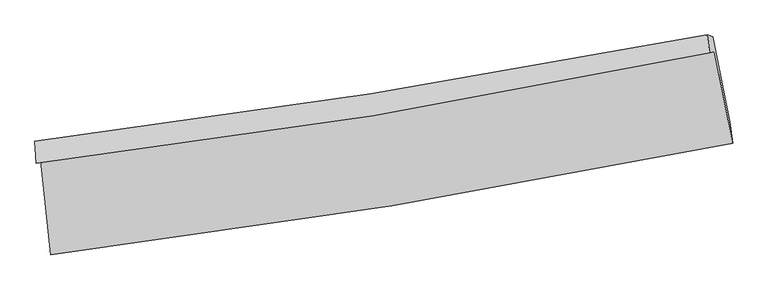
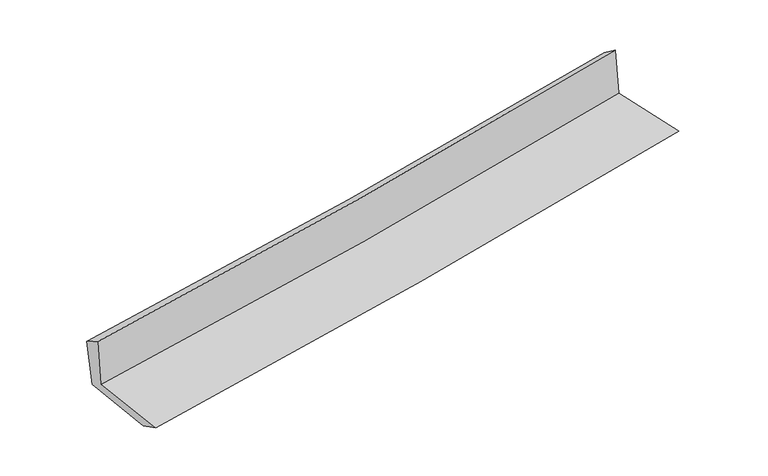
"""IFC4 building model written with IfcOpenShell, lengths in millimetres: proxy geometry."""

from ifc_helpers import new_model, si_unit, frame, origin, place, context, project, spatial, source, transform, mapped, element, save
from ifc_brep_helpers import plane_surface, spline_curve, spline_surface, advanced_brep


def generic_models_7f2411e5(model_context):
    return source(origin(), model_context, "Body", "AdvancedBrep", [
        advanced_brep(
        [(-2453.3701668, -1870.8768422, 1646.9223629), (-2381.0552182, -2547.911248, 1640.8104946), (2537.3332119, -1743.6201809, 2103.1560464), (2406.8012803, -1083.4256439, 2090.9305725), (-2488.8772437, -1888.3374053, 2058.2687438), (2371.0113689, -1093.8919298, 2500.1991347), (-2496.8231555, -1730.2327005, 1961.2415208), (2354.1467562, -963.7181509, 2401.9145254), (-2460.1617304, -1744.3446385, 1574.0320135), (2393.332031, -978.2781486, 2009.8872703), (-2391.4390773, -2383.2326159, 1562.9552723), (2516.4290879, -1588.3623533, 1994.4657604)],
        [
            (0, 1),
            (1, 2, spline_curve(3, [(-2381.0552182, -2547.911248, 1640.8104946), (-1559.137572198, -2446.768973774, 1726.651704333), (-739.302926122, -2329.375827363, 1808.018464865), (900.180208152, -2061.437369538, 1962.177307348), (1719.808372441, -1910.733493821, 2034.925730802), (2537.3332119, -1743.6201809, 2103.1560464)], [4, 2, 4], [0.0, 8.142242400993085, 16.324111564105557])),
            (2, 3),
            (3, 0, spline_curve(3, [(2406.8012803, -1083.4256439, 2090.9305725), (1600.155149536, -1249.747136796, 2021.523751026), (790.828132973, -1398.64592019, 1949.72404234), (-829.254921615, -1660.961296734, 1801.698183263), (-1639.985053989, -1774.546246205, 1725.495155415), (-2453.3701668, -1870.8768422, 1646.9223629)], [4, 2, 4], [0.0, 8.181869163112472, 16.324111564105557])),
            (4, 0),
            (3, 5),
            (5, 4, spline_curve(3, [(2371.0113689, -1093.8919298, 2500.1991347), (1564.516593338, -1263.81440221, 2435.119621669), (755.288754852, -1415.094993889, 2365.652308345), (-864.70052573, -1679.730015499, 2218.299778552), (-1675.435558006, -1793.26458206, 2140.45696164), (-2488.8772437, -1888.3374053, 2058.2687438)], [4, 2, 4], [0.0, 8.132100483692218, 16.224815246961153])),
            (6, 4),
            (5, 7),
            (7, 6, spline_curve(3, [(2354.1467562, -963.7181509, 2401.9145254), (1548.051363553, -1119.710423155, 2330.612621606), (739.769569692, -1261.703931461, 2258.146956632), (-877.241528304, -1517.073511177, 2111.244709605), (-1685.949704936, -1630.584852396, 2036.819373065), (-2496.8231555, -1730.2327005, 1961.2415208)], [4, 2, 4], [0.0, 8.121233489681574, 16.203133890408058])),
            (8, 6),
            (7, 9),
            (9, 8, spline_curve(3, [(2393.332031, -978.2781486, 2009.8872703), (1586.315955004, -1134.209699748, 1944.511254543), (777.363593627, -1276.135401465, 1875.404771529), (-840.486370294, -1531.355559094, 1730.083638554), (-1649.365262896, -1644.785354068, 1653.905035658), (-2460.1617304, -1744.3446385, 1574.0320135)], [4, 2, 4], [0.0, 8.11140769256976, 16.183529884885374])),
            (10, 8),
            (9, 11),
            (11, 10, spline_curve(3, [(2516.4290879, -1588.3623533, 1994.4657604), (1701.497959712, -1756.189610686, 1926.20826403), (884.044453144, -1906.460709018, 1856.028362179), (-751.935975728, -2171.247817579, 1712.172956454), (-1570.438524422, -2285.93347342, 1638.516028908), (-2391.4390773, -2383.2326159, 1562.9552723)], [4, 2, 4], [0.0, 8.160802622303402, 16.28208051281627])),
            (1, 10),
            (11, 2),
        ],
        [
            spline_surface(3, 3, [[(-2453.3701668, -1870.8768422, 1646.9223629), (-1639.985054113, -1774.546246337, 1725.495155422), (-829.25492156, -1660.9612968, 1801.698183278), (790.828132918, -1398.645920124, 1949.724042325), (1600.155149435, -1249.747136855, 2021.52375103), (2406.8012803, -1083.4256439, 2090.9305725)], [(-2429.265183956, -2096.554977464, 1644.885073459), (-1613.035893457, -1998.620488806, 1725.880671747), (-799.270923133, -1883.7661403, 1803.804943793), (827.27882469, -1619.576403331, 1953.875130669), (1640.03955711, -1470.075922499, 2025.991077661), (2450.311924163, -1303.490489565, 2095.005730487)], [(-2405.160201044, -2322.233112736, 1642.847784041), (-1586.086732731, -2222.694731283, 1726.266188096), (-769.286924667, -2106.570983728, 1805.911704324), (863.7295165, -1840.506886466, 1958.02621903), (1679.923964796, -1690.404708147, 2030.458404231), (2493.822568037, -1523.555335235, 2099.080888413)], [(-2381.0552182, -2547.911248, 1640.8104946), (-1559.137572075, -2446.768973752, 1726.651704421), (-739.302926241, -2329.375827228, 1808.018464839), (900.180208272, -2061.437369673, 1962.177307375), (1719.80837247, -1910.73349379, 2034.925730862), (2537.3332119, -1743.6201809, 2103.1560464)]], [4, 4], [4, 2, 4], [0.0, 2.2082697047290845], [0.0, 8.142242400993085, 16.324111564105557]),
            spline_surface(3, 3, [[(-2488.8772437, -1888.3374053, 2058.2687438), (-1675.435558082, -1793.264582138, 2140.456961765), (-864.700525705, -1679.730015476, 2218.299778586), (755.288754828, -1415.094993912, 2365.652308311), (1564.516593292, -1263.814402098, 2435.119621787), (2371.0113689, -1093.8919298, 2500.1991347)], [(-2477.041551383, -1882.517217587, 1921.15328351), (-1663.618723409, -1787.025136858, 2002.136359661), (-852.885324327, -1673.473775908, 2079.432580141), (767.135214187, -1409.611969307, 2227.009552974), (1576.396111992, -1259.125313701, 2297.254331528), (2382.941339353, -1090.403167851, 2363.776280627)], [(-2465.205859117, -1876.697029913, 1784.03782319), (-1651.801888787, -1780.785691617, 1863.815757526), (-841.070122937, -1667.217536368, 1940.565381723), (778.981673559, -1404.128944729, 2088.366797662), (1588.275630735, -1254.436225252, 2159.389041289), (2394.871309847, -1086.914405849, 2227.353426573)], [(-2453.3701668, -1870.8768422, 1646.9223629), (-1639.985054113, -1774.546246337, 1725.495155422), (-829.25492156, -1660.9612968, 1801.698183278), (790.828132918, -1398.645920124, 1949.724042325), (1600.155149435, -1249.747136855, 2021.52375103), (2406.8012803, -1083.4256439, 2090.9305725)]], [4, 4], [4, 2, 4], [0.0, 1.3718647140950857], [0.0, 8.092714763268935, 16.224815246961153]),
            spline_surface(3, 3, [[(-2496.8231555, -1730.2327005, 1961.2415208), (-1685.949704877, -1630.584852518, 2036.819373067), (-877.241528216, -1517.073511052, 2111.244709619), (739.769569603, -1261.703931586, 2258.146956617), (1548.051363502, -1119.710423182, 2330.612621574), (2354.1467562, -963.7181509, 2401.9145254)], [(-2494.174518253, -1782.934268766, 1993.583928473), (-1682.444989298, -1684.811429057, 2071.365235973), (-873.061194041, -1571.292345874, 2146.929732614), (744.94263135, -1312.834285709, 2293.982073855), (1553.539773421, -1167.745082807, 2365.448288308), (2359.768293756, -1007.109410519, 2434.67606183)], [(-2491.525880947, -1835.635837034, 2025.926336127), (-1678.94027366, -1739.038005599, 2105.911098859), (-868.88085988, -1625.511180654, 2182.614755591), (750.115693081, -1363.964639789, 2329.817191074), (1559.028183373, -1215.779742473, 2400.283955053), (2365.389831344, -1050.500670181, 2467.43759827)], [(-2488.8772437, -1888.3374053, 2058.2687438), (-1675.435558082, -1793.264582138, 2140.456961765), (-864.700525705, -1679.730015476, 2218.299778586), (755.288754828, -1415.094993912, 2365.652308311), (1564.516593292, -1263.814402098, 2435.119621787), (2371.0113689, -1093.8919298, 2500.1991347)]], [4, 4], [4, 2, 4], [0.0, 0.6282675141832503], [0.0, 8.081900400726484, 16.203133890408058]),
            spline_surface(3, 3, [[(-2460.1617304, -1744.3446385, 1574.0320135), (-1649.365262968, -1644.785354126, 1653.905035777), (-840.486370408, -1531.355559157, 1730.083638439), (777.363593743, -1276.135401402, 1875.404771645), (1586.315955026, -1134.209699714, 1944.511254563), (2393.332031, -978.2781486, 2009.8872703)], [(-2472.382205436, -1739.640659187, 1703.101849267), (-1661.56007694, -1640.05185361, 1781.543148207), (-852.738089681, -1526.594876458, 1857.137328838), (764.83225236, -1271.324911466, 2002.985499974), (1573.561091207, -1129.376607546, 2073.211710235), (2380.270272756, -973.424816043, 2140.563022002)], [(-2484.602680464, -1734.936679813, 1832.171685033), (-1673.754890904, -1635.318353033, 1909.181260637), (-864.989808943, -1521.834193752, 1984.191019221), (752.300910986, -1266.514421523, 2130.566228288), (1560.806227321, -1124.54351535, 2201.912165901), (2367.208514444, -968.571483457, 2271.238773698)], [(-2496.8231555, -1730.2327005, 1961.2415208), (-1685.949704877, -1630.584852518, 2036.819373067), (-877.241528216, -1517.073511052, 2111.244709619), (739.769569603, -1261.703931586, 2258.146956617), (1548.051363502, -1119.710423182, 2330.612621574), (2354.1467562, -963.7181509, 2401.9145254)]], [4, 4], [4, 2, 4], [0.0, 1.2599375304805767], [0.0, 8.072122192315614, 16.183529884885374]),
            spline_surface(3, 3, [[(-2391.4390773, -2383.2326159, 1562.9552723), (-1570.438524303, -2285.933473391, 1638.516028965), (-751.935975732, -2171.247817597, 1712.172956508), (884.044453149, -1906.460709, 1856.028362125), (1701.497959622, -1756.189610575, 1926.208263948), (2516.4290879, -1588.3623533, 1994.4657604)], [(-2414.346628306, -2170.269956752, 1566.647519341), (-1596.747437164, -2072.217433621, 1643.645697877), (-781.452773941, -1957.950398107, 1718.143183816), (848.484166696, -1696.352273124, 1862.487165296), (1663.103958084, -1548.86297361, 1932.309260804), (2475.396735594, -1385.000951722, 1999.606263685)], [(-2437.254179394, -1957.307297648, 1570.339766459), (-1623.056350106, -1858.501393896, 1648.775366865), (-810.969572199, -1744.652978648, 1724.113411131), (812.923880195, -1486.243837279, 1868.945968473), (1624.709956564, -1341.53633668, 1938.410257707), (2434.364383306, -1181.639550178, 2004.746767015)], [(-2460.1617304, -1744.3446385, 1574.0320135), (-1649.365262968, -1644.785354126, 1653.905035777), (-840.486370408, -1531.355559157, 1730.083638439), (777.363593743, -1276.135401402, 1875.404771645), (1586.315955026, -1134.209699714, 1944.511254563), (2393.332031, -978.2781486, 2009.8872703)]], [4, 4], [4, 2, 4], [0.0, 2.1089924415885815], [0.0, 8.121277890512866, 16.28208051281627]),
            spline_surface(3, 3, [[(-2381.0552182, -2547.911248, 1640.8104946), (-1559.137572075, -2446.768973752, 1726.651704421), (-739.302926241, -2329.375827228, 1808.018464839), (900.180208272, -2061.437369673, 1962.177307375), (1719.80837247, -1910.73349379, 2034.925730862), (2537.3332119, -1743.6201809, 2103.1560464)], [(-2384.516504566, -2493.018370645, 1614.85875385), (-1562.90455615, -2393.157140309, 1697.273145953), (-743.513942739, -2276.666490664, 1776.069962066), (894.80162323, -2009.778482762, 1926.794325629), (1713.704901533, -1859.218866052, 1998.686575227), (2530.365170579, -1691.8675717, 2066.92595107)], [(-2387.977790934, -2438.125493255, 1588.90701305), (-1566.671540228, -2339.545306833, 1667.894587433), (-747.724959234, -2223.957154161, 1744.12145928), (889.42303819, -1958.119595912, 1891.41134387), (1707.601430559, -1807.704238314, 1962.447419583), (2523.397129221, -1640.1149625, 2030.69585573)], [(-2391.4390773, -2383.2326159, 1562.9552723), (-1570.438524303, -2285.933473391, 1638.516028965), (-751.935975732, -2171.247817597, 1712.172956508), (884.044453149, -1906.460709, 1856.028362125), (1701.497959622, -1756.189610575, 1926.208263948), (2516.4290879, -1588.3623533, 1994.4657604)]], [4, 4], [4, 2, 4], [0.0, 0.6130772716339035], [0.0, 8.18064505479181, 16.40110377019508]),
            plane_surface(frame((2429.8422894, -1241.8827346, 2183.4255516), z_axis=(0.9766733300679911, 0.19477912361020341, 0.09038970815055407), x_axis=(-0.09939201462505014, 0.036930900990931825, 0.9943627788592914))),
            plane_surface(frame((-2445.2877653, -2027.4892417, 1740.705068), z_axis=(-0.9903989886676252, -0.10497385580124201, -0.08994627754590832), x_axis=(-0.10620293327789532, 0.9943039618469837, 0.008975991230118791))),
        ],
        [
            (0, [[1, 2, 3, 4]]),
            (1, [[5, -4, 6, 7]]),
            (2, [[8, -7, 9, 10]]),
            (3, [[11, -10, 12, 13]]),
            (4, [[14, -13, 15, 16]]),
            (5, [[17, -16, 18, -2]]),
            (6, [[-12, -9, -6, -3, -18, -15]]),
            (7, [[-1, -5, -8, -11, -14, -17]]),
        ],
    ),
    ])


if __name__ == "__main__":
    model = new_model("IFC4")
    model_context = context("Model", 3, world=origin())
    ifc_project = project(units=[si_unit("LENGTHUNIT", "METRE", prefix="MILLI")], contexts=[model_context])
    site = spatial("IfcSite", under=ifc_project)
    building = spatial("IfcBuilding", under=site)
    placement = place(None, origin())
    generic_models_shape = generic_models_7f2411e5(model_context)
    element("IfcBuildingElementProxy", 1, Name="Generic Models", at=placement, inside=building, context=model_context, shape_type="MappedRepresentation", body=[
        mapped(generic_models_shape, transform((0.0, 0.0, 0.0), x_axis=(1.0, 0.0, 0.0), y_axis=(0.0, 1.0, 0.0), z_axis=(0.0, 0.0, 1.0))),
    ])
    save(model, "model.ifc")
